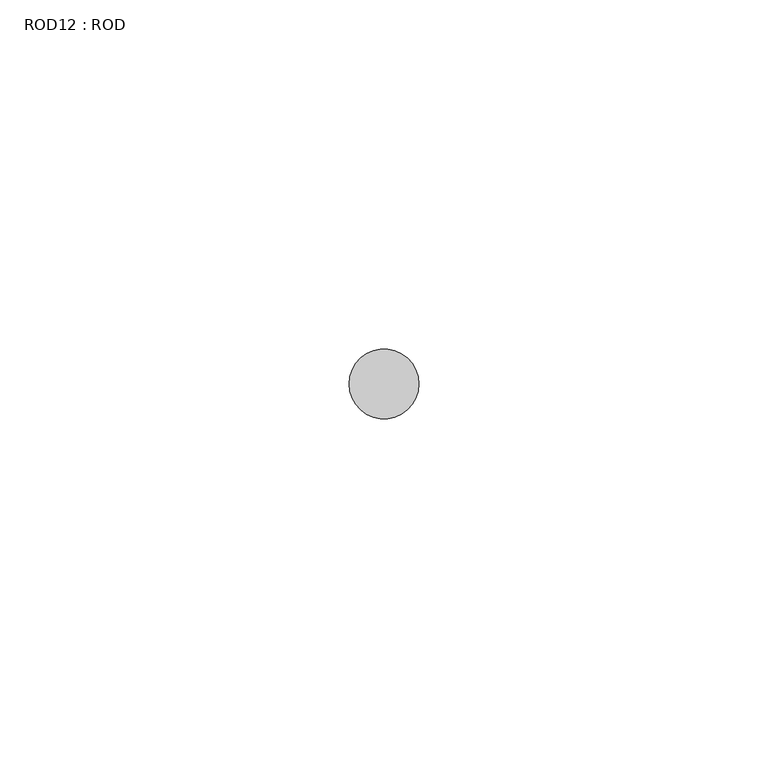
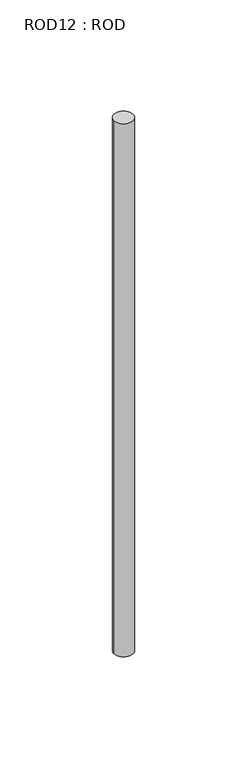
"""IFC4 building model written with IfcOpenShell, lengths in millimetres: proxy geometry, ROD12 : ROD."""

import ifcopenshell
import ifcopenshell.guid

model = None  # the IFC model being written
_history = None  # IfcOwnerHistory: only IFC2X3 demands one
_inside = {}  # id of a spatial element -> (the spatial element, [elements in it])
_under = {}  # id of a project, library or spatial element -> (it, [spatial elements below it])
_declared = {}  # id of a project -> (the project, [libraries it declares])
_typed = {}  # id of a type object -> (the type object, [elements of that type])
_made_of = {}  # id of a material, layer set ... -> (it, [elements and type objects made of it])


def new_model(schema):
    """Start an empty IFC model of exactly this schema.

    Asked for "IFC4X3", IfcOpenShell would pick the latest addendum, in which some entities
    have other attributes; the version numbers below select the first issue.
    IFC2X3 requires an IfcOwnerHistory on every rooted entity: one is made here for all.
    """
    global model, _history
    if schema == "IFC4X3":
        model = ifcopenshell.file(schema_version=(4, 3, 0, 0))
    else:
        model = ifcopenshell.file(schema=schema)
    _inside.clear()
    _under.clear()
    _declared.clear()
    _typed.clear()
    _made_of.clear()
    _history = None
    if model.schema == "IFC2X3":
        org = make("IfcOrganization", Name="unknown")
        user = make(
            "IfcPersonAndOrganization",
            ThePerson=make("IfcPerson", FamilyName="unknown"),
            TheOrganization=org,
        )
        app = make(
            "IfcApplication",
            ApplicationDeveloper=org,
            Version="unknown",
            ApplicationFullName="unknown",
            ApplicationIdentifier="unknown",
        )
        _history = make(
            "IfcOwnerHistory",
            OwningUser=user,
            OwningApplication=app,
            ChangeAction="ADDED",
            CreationDate=0,
        )
    return model


def make(cls, **values):
    """One entity of the class cls with the attributes given. An attribute that is None is left unset."""
    return model.create_entity(
        cls, **{name: value for name, value in values.items() if value is not None}
    )


def rooted(cls, **values):
    """An entity with a GlobalId (a new one), such as an element, a storey or a relation."""
    return make(cls, GlobalId=ifcopenshell.guid.new(), OwnerHistory=_history, **values)


def si_unit(unit_type, name, prefix=None):
    """IfcSIUnit, for example si_unit("LENGTHUNIT", "METRE", prefix="MILLI")."""
    return make("IfcSIUnit", UnitType=unit_type, Prefix=prefix, Name=name)


def assignment(units):
    """IfcUnitAssignment: the units of a project."""
    return None if units is None else make("IfcUnitAssignment", Units=units)


def point(xyz):
    """IfcCartesianPoint."""
    return None if xyz is None else make("IfcCartesianPoint", Coordinates=xyz)


def direction(xyz):
    """IfcDirection."""
    return None if xyz is None else make("IfcDirection", DirectionRatios=xyz)


def frame(location, z_axis=None, x_axis=None):
    """IfcAxis2Placement3D, a coordinate frame: its origin and axes. An axis left out is left unset."""
    return make(
        "IfcAxis2Placement3D",
        Location=point(location),
        Axis=direction(z_axis),
        RefDirection=direction(x_axis),
    )


def frame_2d(location, x_axis=None):
    """IfcAxis2Placement2D, a coordinate frame in the plane: its origin and x axis."""
    return make(
        "IfcAxis2Placement2D", Location=point(location), RefDirection=direction(x_axis)
    )


def origin():
    """The frame at (0, 0, 0) with its axes left unset."""
    return frame((0.0, 0.0, 0.0))


def place(relative_to, where):
    """IfcLocalPlacement: puts the frame where relative to a parent placement (None: the world)."""
    return make(
        "IfcLocalPlacement", PlacementRelTo=relative_to, RelativePlacement=where
    )


def context(
    kind, dimensions, precision=None, world=None, true_north=None, identifier=None
):
    """IfcGeometricRepresentationContext, for example the 3D "Model" context."""
    return make(
        "IfcGeometricRepresentationContext",
        ContextIdentifier=identifier,
        ContextType=kind,
        CoordinateSpaceDimension=dimensions,
        Precision=precision,
        WorldCoordinateSystem=world,
        TrueNorth=true_north,
    )


def project(units=None, contexts=None):
    """IfcProject with its units and contexts."""
    return rooted(
        "IfcProject",
        Name="project",
        RepresentationContexts=contexts,
        UnitsInContext=assignment(units),
    )


def spatial(cls, under=None, at=None, **own):
    """A site, building, storey or space (cls), placed at a placement, below another one or the project."""
    s = rooted(cls, ObjectPlacement=at, **own)
    if under is not None:
        _under.setdefault(under.id(), (under, []))[1].append(s)
    return s


def circle_curve(where, radius):
    """IfcCircle in the frame where."""
    return make("IfcCircle", Position=where, Radius=radius)


def trimmed(basis, trim1, trim2, sense, master):
    """IfcTrimmedCurve: the piece of a basis curve between two trims."""
    return make(
        "IfcTrimmedCurve",
        BasisCurve=basis,
        Trim1=trim1,
        Trim2=trim2,
        SenseAgreement=sense,
        MasterRepresentation=master,
    )


def segment(curve, same_sense, transition):
    """IfcCompositeCurveSegment."""
    return make(
        "IfcCompositeCurveSegment",
        Transition=transition,
        SameSense=same_sense,
        ParentCurve=curve,
    )


def composite_curve(segments, self_intersect=None):
    """IfcCompositeCurve: segments joined end to end."""
    return make("IfcCompositeCurve", Segments=segments, SelfIntersect=self_intersect)


def outline(outer, holes=None, kind="AREA"):
    """IfcArbitraryClosedProfileDef: a profile drawn as a closed curve; with holes, ...WithVoids."""
    if holes is None:
        return make("IfcArbitraryClosedProfileDef", ProfileType=kind, OuterCurve=outer)
    return make(
        "IfcArbitraryProfileDefWithVoids",
        ProfileType=kind,
        OuterCurve=outer,
        InnerCurves=holes,
    )


def extrude(swept, where, along, depth):
    """IfcExtrudedAreaSolid: the profile swept, set in the frame where, extruded along a direction by depth."""
    return make(
        "IfcExtrudedAreaSolid",
        SweptArea=swept,
        Position=where,
        ExtrudedDirection=direction(along),
        Depth=depth,
    )


def shape(context_of_items, identifier, shape_type, items):
    """IfcShapeRepresentation: the items that make up one representation, for example the "Body"."""
    return make(
        "IfcShapeRepresentation",
        ContextOfItems=context_of_items,
        RepresentationIdentifier=identifier,
        RepresentationType=shape_type,
        Items=items,
    )


def source(mapping_origin, context_of_items, identifier, shape_type, items):
    """IfcRepresentationMap: a shape defined once, which mapped items show again and again."""
    return make(
        "IfcRepresentationMap",
        MappingOrigin=mapping_origin,
        MappedRepresentation=shape(context_of_items, identifier, shape_type, items),
    )


def transform(
    local_origin,
    x_axis=None,
    y_axis=None,
    z_axis=None,
    scale=None,
    scale2=None,
    scale3=None,
    uniform=True,
):
    """IfcCartesianTransformationOperator3D, or its non-uniform kind. x_axis, y_axis, z_axis: its Axis1, 2, 3."""
    if uniform:
        return make(
            "IfcCartesianTransformationOperator3D",
            Axis1=direction(x_axis),
            Axis2=direction(y_axis),
            LocalOrigin=point(local_origin),
            Scale=scale,
            Axis3=direction(z_axis),
        )
    return make(
        "IfcCartesianTransformationOperator3DnonUniform",
        Axis1=direction(x_axis),
        Axis2=direction(y_axis),
        LocalOrigin=point(local_origin),
        Scale=scale,
        Axis3=direction(z_axis),
        Scale2=scale2,
        Scale3=scale3,
    )


def mapped(mapping_source, mapping_target):
    """IfcMappedItem: shows the shape of a source again, moved by a transform."""
    return make(
        "IfcMappedItem", MappingSource=mapping_source, MappingTarget=mapping_target
    )


def made_of(thing, what):
    """Note that an element or type object is made of a material, layer set ...; save() writes the relation."""
    if what is not None:
        _made_of.setdefault(what.id(), (what, []))[1].append(thing)
    return thing


def element(
    cls,
    number,
    at=None,
    inside=None,
    cuts=None,
    type_object=None,
    material=None,
    context=None,
    identifier="Body",
    shape_type=None,
    held_by="IfcProductDefinitionShape",
    body=None,
    shapes=None,
    **own,
):
    """One element of the class cls, such as IfcWall. Its Tag is "e" and its number.

    at: its placement. inside: the storey or other place that contains it. cuts: it is an
    opening in that element (IfcRelVoidsElement). A single representation is given by context,
    identifier, shape_type and body (its items); several are given by shapes. held_by: the class
    of the entity that holds the representations. save() writes the other relations.
    """
    e = rooted(cls, Tag="e%d" % number, ObjectPlacement=at, **own)
    if body is not None:
        shapes = [shape(context, identifier, shape_type, body)]
    if shapes is not None:
        e.Representation = make(held_by, Representations=shapes)
    if inside is not None:
        _inside.setdefault(inside.id(), (inside, []))[1].append(e)
    if cuts is not None:
        rooted(
            "IfcRelVoidsElement", RelatingBuildingElement=cuts, RelatedOpeningElement=e
        )
    if type_object is not None:
        _typed.setdefault(type_object.id(), (type_object, []))[1].append(e)
    return made_of(e, material)


def aggregate(whole, parts):
    """IfcRelAggregates: a whole, such as a stair, and the parts it consists of."""
    return rooted("IfcRelAggregates", RelatingObject=whole, RelatedObjects=parts)


def save(model, path):
    """Write the relations noted so far, then the file.

    IfcRelAggregates (storeys below a building ...), IfcRelContainedInSpatialStructure (elements
    in a storey), IfcRelDefinesByType, IfcRelAssociatesMaterial and IfcRelDeclares: one each for
    every whole, place, type object, material and project.
    """
    for whole, parts in _under.values():
        aggregate(whole, parts)
    for where, things in _inside.values():
        rooted(
            "IfcRelContainedInSpatialStructure",
            RelatedElements=things,
            RelatingStructure=where,
        )
    for kind, things in _typed.values():
        rooted("IfcRelDefinesByType", RelatedObjects=things, RelatingType=kind)
    for what, things in _made_of.values():
        rooted("IfcRelAssociatesMaterial", RelatedObjects=things, RelatingMaterial=what)
    for by, libraries in _declared.values():
        rooted("IfcRelDeclares", RelatingContext=by, RelatedDefinitions=libraries)
    model.write(path)


def rod12_rod_21b2e80b(model_context):
    return source(origin(), model_context, "Body", "SweptSolid", [
        extrude(outline(composite_curve([segment(trimmed(circle_curve(frame_2d((-8820.2326676, -1114.6300853)), 5.0), [point((-8825.2326676, -1114.6300853))], [point((-8815.2326676, -1114.6300853))], False, "CARTESIAN"), True, "CONTINUOUS"), segment(trimmed(circle_curve(frame_2d((-8820.2326676, -1114.6300853)), 5.0), [point((-8815.2326676, -1114.6300853))], [point((-8825.2326676, -1114.6300853))], False, "CARTESIAN"), True, "CONTINUOUS")], self_intersect=False)), frame((0.0, 0.0, -208.6608845), z_axis=(0.0, 0.0, 1.0), x_axis=(1.0, 0.0, 0.0)), (0.0, 0.0, 1.0), 298.9028972),
    ])


if __name__ == "__main__":
    model = new_model("IFC4")
    model_context = context("Model", 3, world=origin())
    ifc_project = project(units=[si_unit("LENGTHUNIT", "METRE", prefix="MILLI")], contexts=[model_context])
    site = spatial("IfcSite", under=ifc_project)
    building = spatial("IfcBuilding", under=site)
    placement = place(None, origin())
    rod12_rod_shape = rod12_rod_21b2e80b(model_context)
    element("IfcBuildingElementProxy", 1, Name="ROD12 : ROD", ObjectType="ROD12 : ROD", at=placement, inside=building, context=model_context, shape_type="MappedRepresentation", body=[
        mapped(rod12_rod_shape, transform((0.0, 0.0, 0.0), x_axis=(1.0, 0.0, 0.0), y_axis=(0.0, 1.0, 0.0), z_axis=(0.0, 0.0, 1.0))),
    ])
    save(model, "model.ifc")
